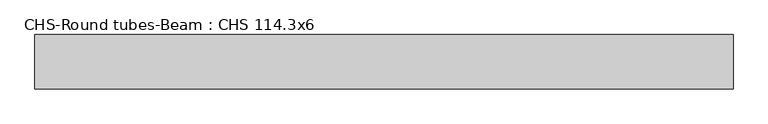
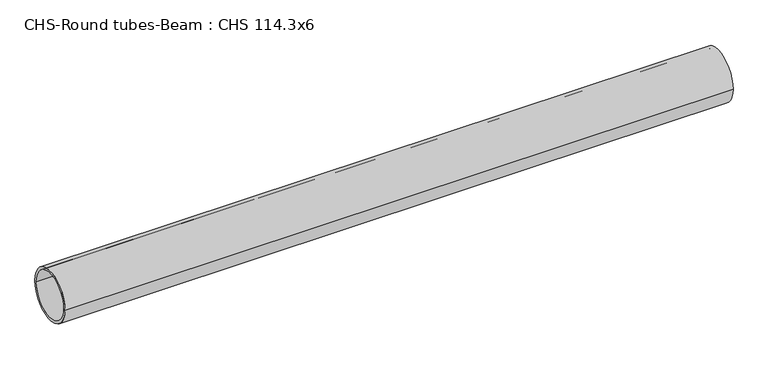
"""IFC4 building model written with IfcOpenShell, lengths in millimetres: beam geometry, CHS-Round tubes-Beam : CHS 114.3x6."""

from ifc_helpers import new_model, si_unit, point, frame, origin, origin_2d, place, context, project, spatial, circle_curve, trimmed, segment, composite_curve, outline, extrude, source, transform, mapped, element, save


def chs_round_tubes_beam_chs_114_3x6_bac182a0(model_context):
    return source(origin(), model_context, "Body", "SweptSolid", [
        extrude(outline(composite_curve([segment(trimmed(circle_curve(origin_2d(), 57.15), [point((57.15, 0.0))], [point((-57.15, 0.0))], False, "CARTESIAN"), True, "CONTINUOUS"), segment(trimmed(circle_curve(origin_2d(), 57.15), [point((-57.15, 0.0))], [point((57.15, 0.0))], False, "CARTESIAN"), True, "CONTINUOUS")], self_intersect=False), holes=[composite_curve([segment(trimmed(circle_curve(origin_2d(), 51.15), [point((51.15, 0.0))], [point((-51.15, 0.0))], True, "CARTESIAN"), True, "CONTINUOUS"), segment(trimmed(circle_curve(origin_2d(), 51.15), [point((-51.15, 0.0))], [point((51.15, 0.0))], True, "CARTESIAN"), True, "CONTINUOUS")], self_intersect=False)]), frame((-773.2969114, 0.0, 0.0), z_axis=(1.0, 0.0, 0.0), x_axis=(0.0, 1.0, 0.0)), (0.0, 0.0, 1.0), 1468.2534947),
    ])


if __name__ == "__main__":
    model = new_model("IFC4")
    model_context = context("Model", 3, world=origin())
    ifc_project = project(units=[si_unit("LENGTHUNIT", "METRE", prefix="MILLI")], contexts=[model_context])
    site = spatial("IfcSite", under=ifc_project)
    building = spatial("IfcBuilding", under=site)
    placement = place(None, origin())
    chs_round_tubes_beam_chs_114_3x6_shape = chs_round_tubes_beam_chs_114_3x6_bac182a0(model_context)
    element("IfcBeam", 1, ObjectType="CHS-Round tubes-Beam : CHS 114.3x6", at=placement, inside=building, context=model_context, shape_type="MappedRepresentation", body=[
        mapped(chs_round_tubes_beam_chs_114_3x6_shape, transform((0.0, 0.0, 0.0), x_axis=(1.0, 0.0, 0.0), y_axis=(0.0, 1.0, 0.0), z_axis=(0.0, 0.0, 1.0))),
    ])
    save(model, "model.ifc")
